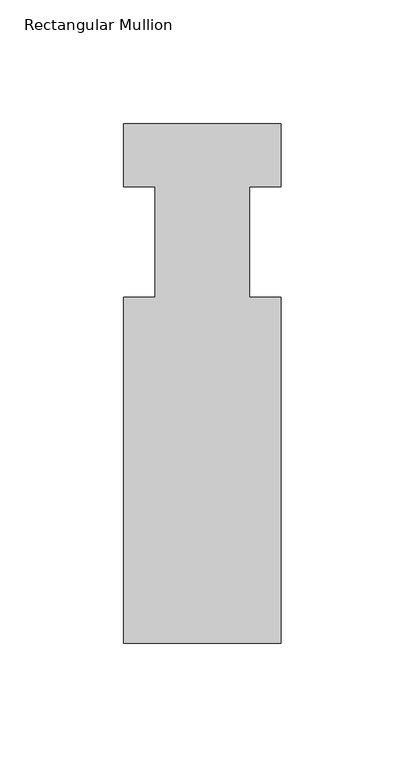
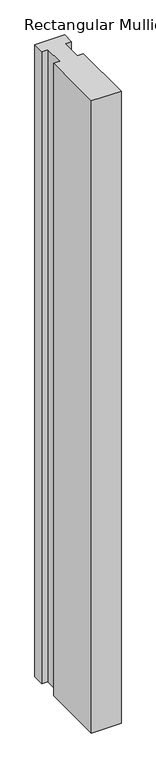
"""IFC4 building model written with IfcOpenShell, lengths in millimetres: member geometry, Rectangular Mullion."""

from ifc_helpers import new_model, si_unit, frame, origin, place, context, project, spatial, polyline, outline, extrude, source, transform, mapped, element, save


def rectangular_mullion_3610a3e4(model_context):
    return source(origin(), model_context, "Body", "SweptSolid", [
        extrude(outline(polyline([(31.75, -161.925), (-31.75, -161.925), (-31.75, -22.225), (-19.05, -22.225), (-19.05, 22.225), (-31.75, 22.225), (-31.75, 47.625), (31.75, 47.625), (31.75, 22.225), (19.05, 22.225), (19.05, -22.225), (31.75, -22.225), (31.75, -161.925)])), frame((0.0, 0.0, -1431.925), z_axis=(0.0, 0.0, 1.0), x_axis=(1.0, 0.0, 0.0)), (0.0, 0.0, 1.0), 1431.925),
    ])


if __name__ == "__main__":
    model = new_model("IFC4")
    model_context = context("Model", 3, world=origin())
    ifc_project = project(units=[si_unit("LENGTHUNIT", "METRE", prefix="MILLI")], contexts=[model_context])
    site = spatial("IfcSite", under=ifc_project)
    building = spatial("IfcBuilding", under=site)
    placement = place(None, origin())
    rectangular_mullion_shape = rectangular_mullion_3610a3e4(model_context)
    element("IfcMember", 1, ObjectType="Rectangular Mullion", at=placement, inside=building, context=model_context, shape_type="MappedRepresentation", body=[
        mapped(rectangular_mullion_shape, transform((0.0, 0.0, 0.0), x_axis=(1.0, 0.0, 0.0), y_axis=(0.0, 1.0, 0.0), z_axis=(0.0, 0.0, 1.0))),
    ])
    save(model, "model.ifc")
